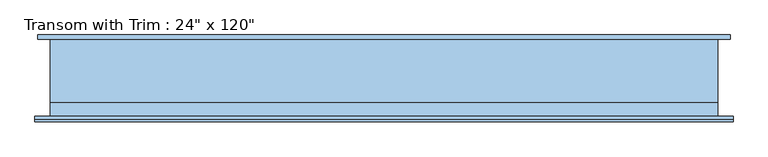
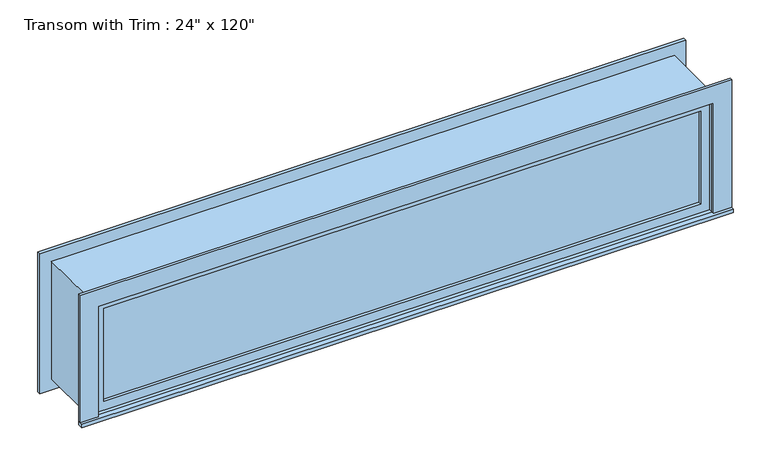
"""IFC4 building model written with IfcOpenShell, lengths in millimetres: window geometry."""

import ifcopenshell
import ifcopenshell.guid

model = None  # the IFC model being written
_history = None  # IfcOwnerHistory: only IFC2X3 demands one
_inside = {}  # id of a spatial element -> (the spatial element, [elements in it])
_under = {}  # id of a project, library or spatial element -> (it, [spatial elements below it])
_declared = {}  # id of a project -> (the project, [libraries it declares])
_typed = {}  # id of a type object -> (the type object, [elements of that type])
_made_of = {}  # id of a material, layer set ... -> (it, [elements and type objects made of it])


def new_model(schema):
    """Start an empty IFC model of exactly this schema.

    Asked for "IFC4X3", IfcOpenShell would pick the latest addendum, in which some entities
    have other attributes; the version numbers below select the first issue.
    IFC2X3 requires an IfcOwnerHistory on every rooted entity: one is made here for all.
    """
    global model, _history
    if schema == "IFC4X3":
        model = ifcopenshell.file(schema_version=(4, 3, 0, 0))
    else:
        model = ifcopenshell.file(schema=schema)
    _inside.clear()
    _under.clear()
    _declared.clear()
    _typed.clear()
    _made_of.clear()
    _history = None
    if model.schema == "IFC2X3":
        org = make("IfcOrganization", Name="unknown")
        user = make(
            "IfcPersonAndOrganization",
            ThePerson=make("IfcPerson", FamilyName="unknown"),
            TheOrganization=org,
        )
        app = make(
            "IfcApplication",
            ApplicationDeveloper=org,
            Version="unknown",
            ApplicationFullName="unknown",
            ApplicationIdentifier="unknown",
        )
        _history = make(
            "IfcOwnerHistory",
            OwningUser=user,
            OwningApplication=app,
            ChangeAction="ADDED",
            CreationDate=0,
        )
    return model


def make(cls, **values):
    """One entity of the class cls with the attributes given. An attribute that is None is left unset."""
    return model.create_entity(
        cls, **{name: value for name, value in values.items() if value is not None}
    )


def rooted(cls, **values):
    """An entity with a GlobalId (a new one), such as an element, a storey or a relation."""
    return make(cls, GlobalId=ifcopenshell.guid.new(), OwnerHistory=_history, **values)


def si_unit(unit_type, name, prefix=None):
    """IfcSIUnit, for example si_unit("LENGTHUNIT", "METRE", prefix="MILLI")."""
    return make("IfcSIUnit", UnitType=unit_type, Prefix=prefix, Name=name)


def assignment(units):
    """IfcUnitAssignment: the units of a project."""
    return None if units is None else make("IfcUnitAssignment", Units=units)


def point(xyz):
    """IfcCartesianPoint."""
    return None if xyz is None else make("IfcCartesianPoint", Coordinates=xyz)


def direction(xyz):
    """IfcDirection."""
    return None if xyz is None else make("IfcDirection", DirectionRatios=xyz)


def frame(location, z_axis=None, x_axis=None):
    """IfcAxis2Placement3D, a coordinate frame: its origin and axes. An axis left out is left unset."""
    return make(
        "IfcAxis2Placement3D",
        Location=point(location),
        Axis=direction(z_axis),
        RefDirection=direction(x_axis),
    )


def origin():
    """The frame at (0, 0, 0) with its axes left unset."""
    return frame((0.0, 0.0, 0.0))


def place(relative_to, where):
    """IfcLocalPlacement: puts the frame where relative to a parent placement (None: the world)."""
    return make(
        "IfcLocalPlacement", PlacementRelTo=relative_to, RelativePlacement=where
    )


def context(
    kind, dimensions, precision=None, world=None, true_north=None, identifier=None
):
    """IfcGeometricRepresentationContext, for example the 3D "Model" context."""
    return make(
        "IfcGeometricRepresentationContext",
        ContextIdentifier=identifier,
        ContextType=kind,
        CoordinateSpaceDimension=dimensions,
        Precision=precision,
        WorldCoordinateSystem=world,
        TrueNorth=true_north,
    )


def project(units=None, contexts=None):
    """IfcProject with its units and contexts."""
    return rooted(
        "IfcProject",
        Name="project",
        RepresentationContexts=contexts,
        UnitsInContext=assignment(units),
    )


def spatial(cls, under=None, at=None, **own):
    """A site, building, storey or space (cls), placed at a placement, below another one or the project."""
    s = rooted(cls, ObjectPlacement=at, **own)
    if under is not None:
        _under.setdefault(under.id(), (under, []))[1].append(s)
    return s


def polyline(points):
    """IfcPolyline through the points."""
    return make("IfcPolyline", Points=[point(p) for p in points])


def outline(outer, holes=None, kind="AREA"):
    """IfcArbitraryClosedProfileDef: a profile drawn as a closed curve; with holes, ...WithVoids."""
    if holes is None:
        return make("IfcArbitraryClosedProfileDef", ProfileType=kind, OuterCurve=outer)
    return make(
        "IfcArbitraryProfileDefWithVoids",
        ProfileType=kind,
        OuterCurve=outer,
        InnerCurves=holes,
    )


def extrude(swept, where, along, depth):
    """IfcExtrudedAreaSolid: the profile swept, set in the frame where, extruded along a direction by depth."""
    return make(
        "IfcExtrudedAreaSolid",
        SweptArea=swept,
        Position=where,
        ExtrudedDirection=direction(along),
        Depth=depth,
    )


def shape(context_of_items, identifier, shape_type, items):
    """IfcShapeRepresentation: the items that make up one representation, for example the "Body"."""
    return make(
        "IfcShapeRepresentation",
        ContextOfItems=context_of_items,
        RepresentationIdentifier=identifier,
        RepresentationType=shape_type,
        Items=items,
    )


def source(mapping_origin, context_of_items, identifier, shape_type, items):
    """IfcRepresentationMap: a shape defined once, which mapped items show again and again."""
    return make(
        "IfcRepresentationMap",
        MappingOrigin=mapping_origin,
        MappedRepresentation=shape(context_of_items, identifier, shape_type, items),
    )


def transform(
    local_origin,
    x_axis=None,
    y_axis=None,
    z_axis=None,
    scale=None,
    scale2=None,
    scale3=None,
    uniform=True,
):
    """IfcCartesianTransformationOperator3D, or its non-uniform kind. x_axis, y_axis, z_axis: its Axis1, 2, 3."""
    if uniform:
        return make(
            "IfcCartesianTransformationOperator3D",
            Axis1=direction(x_axis),
            Axis2=direction(y_axis),
            LocalOrigin=point(local_origin),
            Scale=scale,
            Axis3=direction(z_axis),
        )
    return make(
        "IfcCartesianTransformationOperator3DnonUniform",
        Axis1=direction(x_axis),
        Axis2=direction(y_axis),
        LocalOrigin=point(local_origin),
        Scale=scale,
        Axis3=direction(z_axis),
        Scale2=scale2,
        Scale3=scale3,
    )


def mapped(mapping_source, mapping_target):
    """IfcMappedItem: shows the shape of a source again, moved by a transform."""
    return make(
        "IfcMappedItem", MappingSource=mapping_source, MappingTarget=mapping_target
    )


def made_of(thing, what):
    """Note that an element or type object is made of a material, layer set ...; save() writes the relation."""
    if what is not None:
        _made_of.setdefault(what.id(), (what, []))[1].append(thing)
    return thing


def element(
    cls,
    number,
    at=None,
    inside=None,
    cuts=None,
    type_object=None,
    material=None,
    context=None,
    identifier="Body",
    shape_type=None,
    held_by="IfcProductDefinitionShape",
    body=None,
    shapes=None,
    **own,
):
    """One element of the class cls, such as IfcWall. Its Tag is "e" and its number.

    at: its placement. inside: the storey or other place that contains it. cuts: it is an
    opening in that element (IfcRelVoidsElement). A single representation is given by context,
    identifier, shape_type and body (its items); several are given by shapes. held_by: the class
    of the entity that holds the representations. save() writes the other relations.
    """
    e = rooted(cls, Tag="e%d" % number, ObjectPlacement=at, **own)
    if body is not None:
        shapes = [shape(context, identifier, shape_type, body)]
    if shapes is not None:
        e.Representation = make(held_by, Representations=shapes)
    if inside is not None:
        _inside.setdefault(inside.id(), (inside, []))[1].append(e)
    if cuts is not None:
        rooted(
            "IfcRelVoidsElement", RelatingBuildingElement=cuts, RelatedOpeningElement=e
        )
    if type_object is not None:
        _typed.setdefault(type_object.id(), (type_object, []))[1].append(e)
    return made_of(e, material)


def aggregate(whole, parts):
    """IfcRelAggregates: a whole, such as a stair, and the parts it consists of."""
    return rooted("IfcRelAggregates", RelatingObject=whole, RelatedObjects=parts)


def save(model, path):
    """Write the relations noted so far, then the file.

    IfcRelAggregates (storeys below a building ...), IfcRelContainedInSpatialStructure (elements
    in a storey), IfcRelDefinesByType, IfcRelAssociatesMaterial and IfcRelDeclares: one each for
    every whole, place, type object, material and project.
    """
    for whole, parts in _under.values():
        aggregate(whole, parts)
    for where, things in _inside.values():
        rooted(
            "IfcRelContainedInSpatialStructure",
            RelatedElements=things,
            RelatingStructure=where,
        )
    for kind, things in _typed.values():
        rooted("IfcRelDefinesByType", RelatedObjects=things, RelatingType=kind)
    for what, things in _made_of.values():
        rooted("IfcRelAssociatesMaterial", RelatedObjects=things, RelatingMaterial=what)
    for by, libraries in _declared.values():
        rooted("IfcRelDeclares", RelatingContext=by, RelatedDefinitions=libraries)
    model.write(path)


def window_01f00944(model_context):
    return source(origin(), model_context, "Body", "SweptSolid", [
        extrude(outline(polyline([(-1631.95, -201.6125), (-1631.95, -176.2125), (1555.75, -176.2125), (1555.75, -201.6125), (-1631.95, -201.6125)])), frame((0.0, 0.0, 2159.0), z_axis=(0.0, 0.0, 1.0), x_axis=(1.0, 0.0, 0.0)), (0.0, 0.0, 1.0), 19.05),
        extrude(outline(polyline([(2749.55, -1543.05), (2749.55, 1466.85), (2178.05, 1466.85), (2178.05, 1555.75), (2838.45, 1555.75), (2838.45, -1631.95), (2178.05, -1631.95), (2178.05, -1543.05), (2749.55, -1543.05)])), frame((0.0, -188.9125, 0.0), z_axis=(0.0, 1.0, 0.0), x_axis=(0.0, 0.0, 1.0)), (0.0, 0.0, 1.0), 12.7),
        extrude(outline(polyline([(2825.75, 1543.05), (2825.75, -1619.25), (2101.85, -1619.25), (2101.85, 1543.05), (2825.75, 1543.05)]), holes=[polyline([(2736.85, 1454.15), (2190.75, 1454.15), (2190.75, -1530.35), (2736.85, -1530.35), (2736.85, 1454.15)])]), frame((0.0, 176.2125, 0.0), z_axis=(0.0, 1.0, 0.0), x_axis=(0.0, 0.0, 1.0)), (0.0, 0.0, 1.0), 19.05),
        extrude(outline(polyline([(1422.4, -128.5875), (1422.4, -141.2875), (-1498.6, -141.2875), (-1498.6, -128.5875), (1422.4, -128.5875)])), frame((0.0, 0.0, 2222.5), z_axis=(0.0, 0.0, 1.0), x_axis=(1.0, 0.0, 0.0)), (0.0, 0.0, 1.0), 482.6),
        extrude(outline(polyline([(2749.55, -1543.05), (2178.05, -1543.05), (2178.05, 1466.85), (2749.55, 1466.85), (2749.55, -1543.05)]), holes=[polyline([(2705.1, -1498.6), (2705.1, 1422.4), (2222.5, 1422.4), (2222.5, -1498.6), (2705.1, -1498.6)])]), frame((0.0, -157.1625, 0.0), z_axis=(0.0, 1.0, 0.0), x_axis=(0.0, 0.0, 1.0)), (0.0, 0.0, 1.0), 44.45),
        extrude(outline(polyline([(2768.6, -1562.1), (2159.0, -1562.1), (2159.0, 1485.9), (2768.6, 1485.9), (2768.6, -1562.1)]), holes=[polyline([(2736.85, -1530.35), (2736.85, 1454.15), (2190.75, 1454.15), (2190.75, -1530.35), (2736.85, -1530.35)])]), frame((0.0, -112.7125, 0.0), z_axis=(0.0, 1.0, 0.0), x_axis=(0.0, 0.0, 1.0)), (0.0, 0.0, 1.0), 288.925),
        extrude(outline(polyline([(2768.6, 1485.9), (2768.6, -1562.1), (2159.0, -1562.1), (2159.0, 1485.9), (2768.6, 1485.9)]), holes=[polyline([(2749.55, 1466.85), (2178.05, 1466.85), (2178.05, -1543.05), (2749.55, -1543.05), (2749.55, 1466.85)])]), frame((0.0, -176.2125, 0.0), z_axis=(0.0, 1.0, 0.0), x_axis=(0.0, 0.0, 1.0)), (0.0, 0.0, 1.0), 63.5),
    ])


if __name__ == "__main__":
    model = new_model("IFC4")
    model_context = context("Model", 3, world=origin())
    ifc_project = project(units=[si_unit("LENGTHUNIT", "METRE", prefix="MILLI")], contexts=[model_context])
    site = spatial("IfcSite", under=ifc_project)
    building = spatial("IfcBuilding", under=site)
    placement = place(None, origin())
    window_shape = window_01f00944(model_context)
    element("IfcWindow", 1, ObjectType="Transom with Trim : 24\" x 120\"", at=placement, inside=building, context=model_context, shape_type="MappedRepresentation", body=[
        mapped(window_shape, transform((0.0, 0.0, 0.0), x_axis=(1.0, 0.0, 0.0), y_axis=(0.0, 1.0, 0.0), z_axis=(0.0, 0.0, 1.0))),
    ])
    save(model, "model.ifc")
